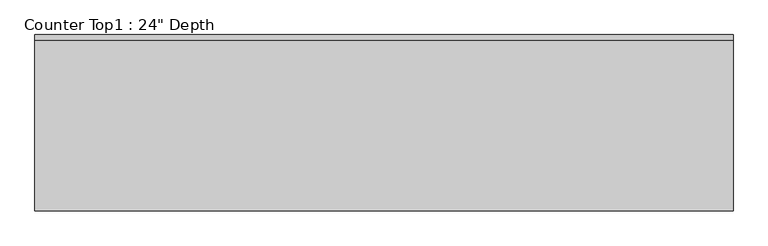
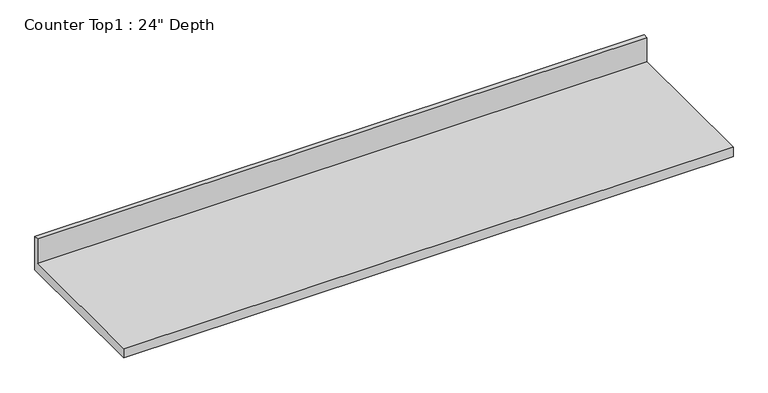
"""IFC4 building model written with IfcOpenShell, lengths in millimetres: furniture geometry."""

from ifc_helpers import new_model, si_unit, frame, origin, place, context, project, spatial, polyline, outline, extrude, source, transform, mapped, element, save


def furniture_0db38d7c(model_context):
    return source(origin(), model_context, "Body", "SweptSolid", [
        extrude(outline(polyline([(0.0, 1016.0), (0.0, 876.3), (-609.6, 876.3), (-609.6, 914.4), (-19.05, 914.4), (-19.05, 1016.0), (0.0, 1016.0)])), frame((-1200.4622951, 0.0, 0.0), z_axis=(1.0, 0.0, 0.0), x_axis=(0.0, 1.0, 0.0)), (0.0, 0.0, 1.0), 2413.0),
    ])


if __name__ == "__main__":
    model = new_model("IFC4")
    model_context = context("Model", 3, world=origin())
    ifc_project = project(units=[si_unit("LENGTHUNIT", "METRE", prefix="MILLI")], contexts=[model_context])
    site = spatial("IfcSite", under=ifc_project)
    building = spatial("IfcBuilding", under=site)
    placement = place(None, origin())
    furniture_shape = furniture_0db38d7c(model_context)
    element("IfcFurniture", 1, ObjectType="Counter Top1 : 24\" Depth", at=placement, inside=building, context=model_context, shape_type="MappedRepresentation", body=[
        mapped(furniture_shape, transform((0.0, 0.0, 0.0), x_axis=(1.0, 0.0, 0.0), y_axis=(0.0, 1.0, 0.0), z_axis=(0.0, 0.0, 1.0))),
    ])
    save(model, "model.ifc")
